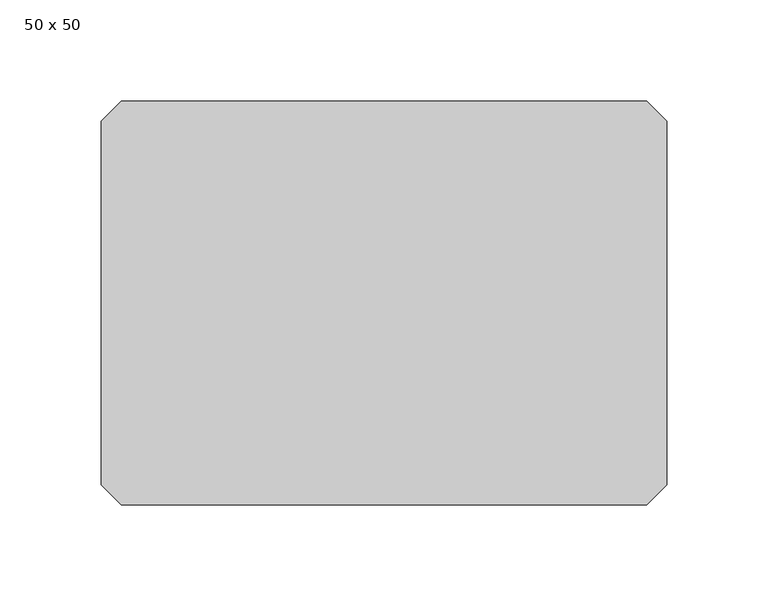
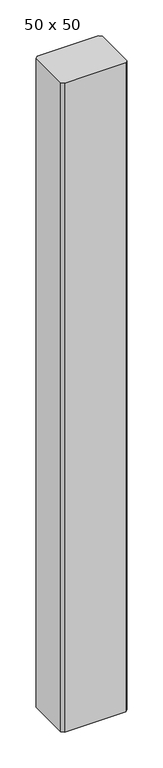
"""IFC4 building model written with IfcOpenShell, lengths in millimetres: column geometry, 50 x 50."""

from ifc_helpers import new_model, si_unit, origin, origin_with_axes, place, context, project, spatial, polyline, outline, extrude, source, transform, mapped, element, save


def column_50_x_50_2b23b6fa(model_context):
    return source(origin(), model_context, "Body", "SweptSolid", [
        extrude(outline(polyline([(130.0, 100.0), (140.0, 90.0), (140.0, -90.0), (130.0, -100.0), (-130.0, -100.0), (-140.0, -90.0), (-140.0, 90.0), (-130.0, 100.0), (130.0, 100.0)])), origin_with_axes(), (0.0, 0.0, 1.0), 2900.0),
    ])


if __name__ == "__main__":
    model = new_model("IFC4")
    model_context = context("Model", 3, world=origin())
    ifc_project = project(units=[si_unit("LENGTHUNIT", "METRE", prefix="MILLI")], contexts=[model_context])
    site = spatial("IfcSite", under=ifc_project)
    building = spatial("IfcBuilding", under=site)
    placement = place(None, origin())
    column_50_x_50_shape = column_50_x_50_2b23b6fa(model_context)
    element("IfcColumn", 1, ObjectType="50 x 50", at=placement, inside=building, context=model_context, shape_type="MappedRepresentation", body=[
        mapped(column_50_x_50_shape, transform((0.0, 0.0, 0.0), x_axis=(1.0, 0.0, 0.0), y_axis=(0.0, 1.0, 0.0), z_axis=(0.0, 0.0, 1.0))),
    ])
    save(model, "model.ifc")
